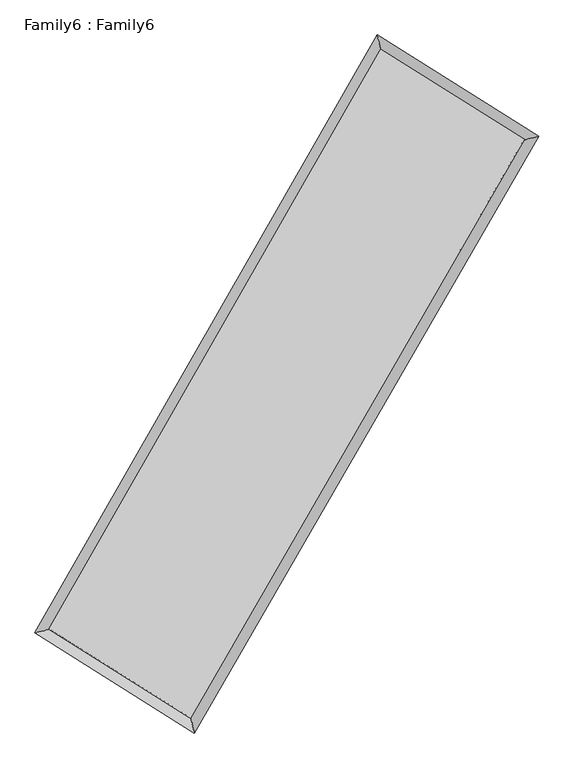
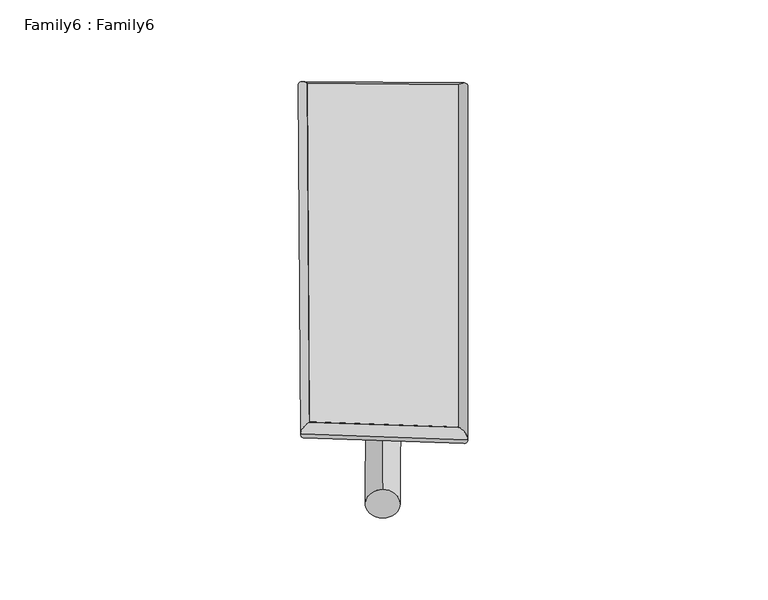
"""IFC4 building model written with IfcOpenShell, lengths in millimetres: plate geometry, Family6 : Family6."""

import ifcopenshell
import ifcopenshell.guid

model = None  # the IFC model being written
_history = None  # IfcOwnerHistory: only IFC2X3 demands one
_inside = {}  # id of a spatial element -> (the spatial element, [elements in it])
_under = {}  # id of a project, library or spatial element -> (it, [spatial elements below it])
_declared = {}  # id of a project -> (the project, [libraries it declares])
_typed = {}  # id of a type object -> (the type object, [elements of that type])
_made_of = {}  # id of a material, layer set ... -> (it, [elements and type objects made of it])


def new_model(schema):
    """Start an empty IFC model of exactly this schema.

    Asked for "IFC4X3", IfcOpenShell would pick the latest addendum, in which some entities
    have other attributes; the version numbers below select the first issue.
    IFC2X3 requires an IfcOwnerHistory on every rooted entity: one is made here for all.
    """
    global model, _history
    if schema == "IFC4X3":
        model = ifcopenshell.file(schema_version=(4, 3, 0, 0))
    else:
        model = ifcopenshell.file(schema=schema)
    _inside.clear()
    _under.clear()
    _declared.clear()
    _typed.clear()
    _made_of.clear()
    _history = None
    if model.schema == "IFC2X3":
        org = make("IfcOrganization", Name="unknown")
        user = make(
            "IfcPersonAndOrganization",
            ThePerson=make("IfcPerson", FamilyName="unknown"),
            TheOrganization=org,
        )
        app = make(
            "IfcApplication",
            ApplicationDeveloper=org,
            Version="unknown",
            ApplicationFullName="unknown",
            ApplicationIdentifier="unknown",
        )
        _history = make(
            "IfcOwnerHistory",
            OwningUser=user,
            OwningApplication=app,
            ChangeAction="ADDED",
            CreationDate=0,
        )
    return model


def make(cls, **values):
    """One entity of the class cls with the attributes given. An attribute that is None is left unset."""
    return model.create_entity(
        cls, **{name: value for name, value in values.items() if value is not None}
    )


def rooted(cls, **values):
    """An entity with a GlobalId (a new one), such as an element, a storey or a relation."""
    return make(cls, GlobalId=ifcopenshell.guid.new(), OwnerHistory=_history, **values)


def si_unit(unit_type, name, prefix=None):
    """IfcSIUnit, for example si_unit("LENGTHUNIT", "METRE", prefix="MILLI")."""
    return make("IfcSIUnit", UnitType=unit_type, Prefix=prefix, Name=name)


def assignment(units):
    """IfcUnitAssignment: the units of a project."""
    return None if units is None else make("IfcUnitAssignment", Units=units)


def point(xyz):
    """IfcCartesianPoint."""
    return None if xyz is None else make("IfcCartesianPoint", Coordinates=xyz)


def direction(xyz):
    """IfcDirection."""
    return None if xyz is None else make("IfcDirection", DirectionRatios=xyz)


def frame(location, z_axis=None, x_axis=None):
    """IfcAxis2Placement3D, a coordinate frame: its origin and axes. An axis left out is left unset."""
    return make(
        "IfcAxis2Placement3D",
        Location=point(location),
        Axis=direction(z_axis),
        RefDirection=direction(x_axis),
    )


def frame_2d(location, x_axis=None):
    """IfcAxis2Placement2D, a coordinate frame in the plane: its origin and x axis."""
    return make(
        "IfcAxis2Placement2D", Location=point(location), RefDirection=direction(x_axis)
    )


def origin():
    """The frame at (0, 0, 0) with its axes left unset."""
    return frame((0.0, 0.0, 0.0))


def origin_2d():
    """The frame at (0, 0) in the plane with its x axis left unset."""
    return frame_2d((0.0, 0.0))


def place(relative_to, where):
    """IfcLocalPlacement: puts the frame where relative to a parent placement (None: the world)."""
    return make(
        "IfcLocalPlacement", PlacementRelTo=relative_to, RelativePlacement=where
    )


def context(
    kind, dimensions, precision=None, world=None, true_north=None, identifier=None
):
    """IfcGeometricRepresentationContext, for example the 3D "Model" context."""
    return make(
        "IfcGeometricRepresentationContext",
        ContextIdentifier=identifier,
        ContextType=kind,
        CoordinateSpaceDimension=dimensions,
        Precision=precision,
        WorldCoordinateSystem=world,
        TrueNorth=true_north,
    )


def project(units=None, contexts=None):
    """IfcProject with its units and contexts."""
    return rooted(
        "IfcProject",
        Name="project",
        RepresentationContexts=contexts,
        UnitsInContext=assignment(units),
    )


def spatial(cls, under=None, at=None, **own):
    """A site, building, storey or space (cls), placed at a placement, below another one or the project."""
    s = rooted(cls, ObjectPlacement=at, **own)
    if under is not None:
        _under.setdefault(under.id(), (under, []))[1].append(s)
    return s


def circle_curve(where, radius):
    """IfcCircle in the frame where."""
    return make("IfcCircle", Position=where, Radius=radius)


def ellipse_curve(where, semi_axis1, semi_axis2):
    """IfcEllipse in the frame where."""
    return make(
        "IfcEllipse", Position=where, SemiAxis1=semi_axis1, SemiAxis2=semi_axis2
    )


def trimmed(basis, trim1, trim2, sense, master):
    """IfcTrimmedCurve: the piece of a basis curve between two trims."""
    return make(
        "IfcTrimmedCurve",
        BasisCurve=basis,
        Trim1=trim1,
        Trim2=trim2,
        SenseAgreement=sense,
        MasterRepresentation=master,
    )


def segment(curve, same_sense, transition):
    """IfcCompositeCurveSegment."""
    return make(
        "IfcCompositeCurveSegment",
        Transition=transition,
        SameSense=same_sense,
        ParentCurve=curve,
    )


def composite_curve(segments, self_intersect=None):
    """IfcCompositeCurve: segments joined end to end."""
    return make("IfcCompositeCurve", Segments=segments, SelfIntersect=self_intersect)


def outline(outer, holes=None, kind="AREA"):
    """IfcArbitraryClosedProfileDef: a profile drawn as a closed curve; with holes, ...WithVoids."""
    if holes is None:
        return make("IfcArbitraryClosedProfileDef", ProfileType=kind, OuterCurve=outer)
    return make(
        "IfcArbitraryProfileDefWithVoids",
        ProfileType=kind,
        OuterCurve=outer,
        InnerCurves=holes,
    )


def extrude(swept, where, along, depth):
    """IfcExtrudedAreaSolid: the profile swept, set in the frame where, extruded along a direction by depth."""
    return make(
        "IfcExtrudedAreaSolid",
        SweptArea=swept,
        Position=where,
        ExtrudedDirection=direction(along),
        Depth=depth,
    )


def shape(context_of_items, identifier, shape_type, items):
    """IfcShapeRepresentation: the items that make up one representation, for example the "Body"."""
    return make(
        "IfcShapeRepresentation",
        ContextOfItems=context_of_items,
        RepresentationIdentifier=identifier,
        RepresentationType=shape_type,
        Items=items,
    )


def source(mapping_origin, context_of_items, identifier, shape_type, items):
    """IfcRepresentationMap: a shape defined once, which mapped items show again and again."""
    return make(
        "IfcRepresentationMap",
        MappingOrigin=mapping_origin,
        MappedRepresentation=shape(context_of_items, identifier, shape_type, items),
    )


def transform(
    local_origin,
    x_axis=None,
    y_axis=None,
    z_axis=None,
    scale=None,
    scale2=None,
    scale3=None,
    uniform=True,
):
    """IfcCartesianTransformationOperator3D, or its non-uniform kind. x_axis, y_axis, z_axis: its Axis1, 2, 3."""
    if uniform:
        return make(
            "IfcCartesianTransformationOperator3D",
            Axis1=direction(x_axis),
            Axis2=direction(y_axis),
            LocalOrigin=point(local_origin),
            Scale=scale,
            Axis3=direction(z_axis),
        )
    return make(
        "IfcCartesianTransformationOperator3DnonUniform",
        Axis1=direction(x_axis),
        Axis2=direction(y_axis),
        LocalOrigin=point(local_origin),
        Scale=scale,
        Axis3=direction(z_axis),
        Scale2=scale2,
        Scale3=scale3,
    )


def mapped(mapping_source, mapping_target):
    """IfcMappedItem: shows the shape of a source again, moved by a transform."""
    return make(
        "IfcMappedItem", MappingSource=mapping_source, MappingTarget=mapping_target
    )


def made_of(thing, what):
    """Note that an element or type object is made of a material, layer set ...; save() writes the relation."""
    if what is not None:
        _made_of.setdefault(what.id(), (what, []))[1].append(thing)
    return thing


def element(
    cls,
    number,
    at=None,
    inside=None,
    cuts=None,
    type_object=None,
    material=None,
    context=None,
    identifier="Body",
    shape_type=None,
    held_by="IfcProductDefinitionShape",
    body=None,
    shapes=None,
    **own,
):
    """One element of the class cls, such as IfcWall. Its Tag is "e" and its number.

    at: its placement. inside: the storey or other place that contains it. cuts: it is an
    opening in that element (IfcRelVoidsElement). A single representation is given by context,
    identifier, shape_type and body (its items); several are given by shapes. held_by: the class
    of the entity that holds the representations. save() writes the other relations.
    """
    e = rooted(cls, Tag="e%d" % number, ObjectPlacement=at, **own)
    if body is not None:
        shapes = [shape(context, identifier, shape_type, body)]
    if shapes is not None:
        e.Representation = make(held_by, Representations=shapes)
    if inside is not None:
        _inside.setdefault(inside.id(), (inside, []))[1].append(e)
    if cuts is not None:
        rooted(
            "IfcRelVoidsElement", RelatingBuildingElement=cuts, RelatedOpeningElement=e
        )
    if type_object is not None:
        _typed.setdefault(type_object.id(), (type_object, []))[1].append(e)
    return made_of(e, material)


def aggregate(whole, parts):
    """IfcRelAggregates: a whole, such as a stair, and the parts it consists of."""
    return rooted("IfcRelAggregates", RelatingObject=whole, RelatedObjects=parts)


def save(model, path):
    """Write the relations noted so far, then the file.

    IfcRelAggregates (storeys below a building ...), IfcRelContainedInSpatialStructure (elements
    in a storey), IfcRelDefinesByType, IfcRelAssociatesMaterial and IfcRelDeclares: one each for
    every whole, place, type object, material and project.
    """
    for whole, parts in _under.values():
        aggregate(whole, parts)
    for where, things in _inside.values():
        rooted(
            "IfcRelContainedInSpatialStructure",
            RelatedElements=things,
            RelatingStructure=where,
        )
    for kind, things in _typed.values():
        rooted("IfcRelDefinesByType", RelatedObjects=things, RelatingType=kind)
    for what, things in _made_of.values():
        rooted("IfcRelAssociatesMaterial", RelatedObjects=things, RelatingMaterial=what)
    for by, libraries in _declared.values():
        rooted("IfcRelDeclares", RelatingContext=by, RelatedDefinitions=libraries)
    model.write(path)


def plane_surface(at):
    """IfcPlane: the flat surface through the origin of the frame at, square to its z axis."""
    return make("IfcPlane", Position=at)


def cylinder_surface(at, radius):
    """IfcCylindricalSurface: all points at the distance radius from the z axis of the frame at."""
    return make("IfcCylindricalSurface", Position=at, Radius=radius)


def spline_surface(u_degree, v_degree, points, u_multiplicities, v_multiplicities, u_knots, v_knots, weights=None):
    """IfcBSplineSurfaceWithKnots; with weights, IfcRationalBSplineSurfaceWithKnots. points: one row for each step in u."""
    own = dict(
        UDegree=u_degree,
        VDegree=v_degree,
        ControlPointsList=[[point(p) for p in row] for row in points],
        SurfaceForm="UNSPECIFIED",
        UClosed=False,
        VClosed=False,
        SelfIntersect=False,
        UMultiplicities=u_multiplicities,
        VMultiplicities=v_multiplicities,
        UKnots=u_knots,
        VKnots=v_knots,
        KnotSpec="UNSPECIFIED",
    )
    if weights is None:
        return make("IfcBSplineSurfaceWithKnots", **own)
    return make("IfcRationalBSplineSurfaceWithKnots", WeightsData=weights, **own)


def advanced_brep(points, edges, surfaces, faces):
    """IfcAdvancedBrep: a solid bounded by faces that lie on surfaces and meet in shared edges.

    An edge is (start, end): straight between two places in points (the first is 0);
    or (start, end, curve); or (start, end, curve, False) where it runs against its curve.
    A face is (place in surfaces, loops), or (place, loops, False) where it looks against
    its surface's normal. A loop lists edges by number (the first is 1), with a minus sign
    where the edge is run from its end to its start. The first loop is the outer one.
    """
    corners = [point(p) for p in points]
    vertices = [make("IfcVertexPoint", VertexGeometry=c) for c in corners]
    made = []
    for start, end, *more in edges:
        made.append(
            make(
                "IfcEdgeCurve",
                EdgeStart=vertices[start],
                EdgeEnd=vertices[end],
                EdgeGeometry=more[0] if more else make("IfcPolyline", Points=[corners[start], corners[end]]),
                SameSense=more[1] if len(more) > 1 else True,
            )
        )
    hull = []
    for where, loops, *sense in faces:
        bounds = []
        for j, loop in enumerate(loops):
            ring = [make("IfcOrientedEdge", EdgeElement=made[abs(k) - 1], Orientation=k > 0) for k in loop]
            bounds.append(
                make(
                    "IfcFaceOuterBound" if j == 0 else "IfcFaceBound",
                    Bound=make("IfcEdgeLoop", EdgeList=ring),
                    Orientation=True,
                )
            )
        hull.append(make("IfcAdvancedFace", Bounds=bounds, FaceSurface=surfaces[where], SameSense=sense[0] if sense else True))
    return make("IfcAdvancedBrep", Outer=make("IfcClosedShell", CfsFaces=hull))


def family6_family6_cb9b762f(model_context):
    return source(origin(), model_context, "Body", "SolidModel", [
        extrude(outline(composite_curve([segment(trimmed(circle_curve(origin_2d(), 76.2), [point((-75.4341514, -10.7763074))], [point((75.4341514, 10.7763074))], False, "CARTESIAN"), True, "CONTINUOUS"), segment(trimmed(circle_curve(origin_2d(), 76.2), [point((75.4341514, 10.7763074))], [point((-75.4341514, -10.7763074))], False, "CARTESIAN"), True, "CONTINUOUS")], self_intersect=False)), frame((9144.0, 9144.0, 0.0), z_axis=(0.6716616227860731, 0.686422919870419, 0.2787368643594657), x_axis=(-0.6790148492168958, 0.7208489546102279, -0.13898064318565367)), (0.0, 0.0, 1.0), 5536.96768),
        extrude(outline(composite_curve([segment(trimmed(circle_curve(origin_2d(), 76.2), [point((-53.8815367, 53.8815367))], [point((53.8815367, -53.8815367))], False, "CARTESIAN"), True, "CONTINUOUS"), segment(trimmed(circle_curve(origin_2d(), 76.2), [point((53.8815367, -53.8815367))], [point((-53.8815367, 53.8815367))], False, "CARTESIAN"), True, "CONTINUOUS")], self_intersect=False)), frame((9144.0, 9144.0, 0.0), z_axis=(-0.669023417520469, -0.6888616824825267, 0.2790649551924691), x_axis=(0.6463789388249925, -0.35392238355896904, 0.6759683527055201)), (0.0, 0.0, 1.0), 5530.8486264),
        extrude(outline(composite_curve([segment(trimmed(circle_curve(origin_2d(), 76.2), [point((-53.8815367, -53.8815367))], [point((53.8815367, 53.8815367))], False, "CARTESIAN"), True, "CONTINUOUS"), segment(trimmed(circle_curve(origin_2d(), 76.2), [point((53.8815367, 53.8815367))], [point((-53.8815367, -53.8815367))], False, "CARTESIAN"), True, "CONTINUOUS")], self_intersect=False)), frame((9144.0, 9144.0, 0.0), z_axis=(0.26046943781686505, 0.9277571542325058, 0.2672495738701354), x_axis=(-0.8417207776419738, 0.35379701779115147, -0.4078404132597439)), (0.0, 0.0, 1.0), 5619.7751866),
        extrude(outline(composite_curve([segment(trimmed(circle_curve(origin_2d(), 76.2), [point((-75.4341514, 10.7763074))], [point((75.4341514, -10.7763074))], False, "CARTESIAN"), True, "CONTINUOUS"), segment(trimmed(circle_curve(origin_2d(), 76.2), [point((75.4341514, -10.7763074))], [point((-75.4341514, 10.7763074))], False, "CARTESIAN"), True, "CONTINUOUS")], self_intersect=False)), frame((9144.0, 9144.0, 0.0), z_axis=(-0.2637225443338497, -0.9268020916699946, 0.2673729651370976), x_axis=(0.882410269064255, -0.11983878453072448, 0.45496239709688935)), (0.0, 0.0, 1.0), 5615.9664417),
        advanced_brep(
        [(5238.9201814, 5282.8566935, 1540.3494812), (5238.8721734, 5282.7831939, 1547.532871), (5648.545319, 5385.1639258, 1546.582567), (10661.2367748, 14144.4581512, 1506.2178571), (10554.3225922, 14571.1151179, 1497.5471906), (5648.593327, 5385.2374254, 1539.3991772), (12657.4911577, 12893.6196042, 1542.9303556), (13068.4462368, 12995.7834401, 1543.7836628), (7610.079876, 4152.3316855, 1502.3577074), (7715.8062062, 3725.8894247, 1500.7574919)],
        [
            (0, 1, ellipse_curve(frame((5443.7327502, 5334.0103097, 1543.4660241), z_axis=(-0.24242542260852987, 0.9701344868658608, 0.008306134274639342), x_axis=(-0.9700378250538646, -0.24252484301816085, 0.014433242317111267)), 211.2097721, 152.4)),
            (1, 2, ellipse_curve(frame((5443.7327502, 5334.0103097, 1543.4660241), z_axis=(-0.24242542260852987, 0.9701344868658608, 0.008306134274639342), x_axis=(-0.9700378250538646, -0.24252484301816085, 0.014433242317111267)), 211.2097721, 152.4)),
            (2, 3),
            (3, 4, ellipse_curve(frame((10607.7796835, 14357.7866345, 1501.8825239), z_axis=(-0.9699346917544832, -0.2432217490333834, -0.008359098532584517), x_axis=(0.24309773416368144, -0.969906770848276, 0.01357746320761232)), 219.9715184, 152.4)),
            (4, 0),
            (2, 5, ellipse_curve(frame((5443.7327502, 5334.0103097, 1543.4660241), z_axis=(-0.24242542260852987, 0.9701344868658608, 0.008306134274639342), x_axis=(-0.9700378250538646, -0.24252484301816085, 0.014433242317111267)), 211.2097721, 152.4)),
            (5, 0, ellipse_curve(frame((5443.7327502, 5334.0103097, 1543.4660241), z_axis=(-0.24242542260852987, 0.9701344868658608, 0.008306134274639342), x_axis=(-0.9700378250538646, -0.24252484301816085, 0.014433242317111267)), 211.2097721, 152.4)),
            (4, 3, ellipse_curve(frame((10607.7796835, 14357.7866345, 1501.8825239), z_axis=(-0.9699346917544832, -0.2432217490333834, -0.008359098532584517), x_axis=(0.24309773416368144, -0.969906770848276, 0.01357746320761232)), 219.9715184, 152.4)),
            (3, 6),
            (6, 7, ellipse_curve(frame((12862.9686973, 12944.7015222, 1543.3570092), z_axis=(-0.24123409353743094, 0.9704337111700433, -0.00803270439582855), x_axis=(-0.9703409500484305, -0.24132788767968535, -0.014117056604360589)), 211.7467201, 152.4)),
            (7, 4),
            (7, 6, ellipse_curve(frame((12862.9686973, 12944.7015222, 1543.3570092), z_axis=(-0.24123409353743094, 0.9704337111700433, -0.00803270439582855), x_axis=(-0.9703409500484305, -0.24132788767968535, -0.014117056604360589)), 211.7467201, 152.4)),
            (6, 8),
            (8, 9, ellipse_curve(frame((7662.9430411, 3939.1105551, 1501.5575996), z_axis=(0.9705705346749873, 0.2406625058505479, -0.008625282513866678), x_axis=(-0.24053197593485523, 0.9705418567350687, 0.01388786801923224)), 219.6903883, 152.4)),
            (9, 7),
            (9, 8, ellipse_curve(frame((7662.9430411, 3939.1105551, 1501.5575996), z_axis=(0.9705705346749873, 0.2406625058505479, -0.008625282513866678), x_axis=(-0.24053197593485523, 0.9705418567350687, 0.01388786801923224)), 219.6903883, 152.4)),
            (8, 5),
            (1, 9),
        ],
        [
            cylinder_surface(frame((5443.7327502, 5334.0103097, 1543.4660241), z_axis=(-0.4966861571628145, -0.8679210014459405, 0.003999566465504995), x_axis=(-0.867720223196592, 0.49645935023249177, -0.024284312269215694)), 152.4),
            cylinder_surface(frame((10607.7796835, 14357.7866345, 1501.8825239), z_axis=(-0.8472882634994129, 0.5309046929991256, -0.015582217032696466), x_axis=(0.5310909387133255, 0.847226572252084, -0.01222906728181008)), 152.4),
            cylinder_surface(frame((12862.9686973, 12944.7015222, 1543.3570092), z_axis=(0.5000424990303078, 0.865991537381947, 0.004019495786368896), x_axis=(0.8660001956990149, -0.5000424990303078, -0.0010771317434149048)), 152.4),
            cylinder_surface(frame((7662.9430411, 3939.1105551, 1501.5575996), z_axis=(0.8465339320076712, -0.532094672975891, -0.015986273809468713), x_axis=(-0.5319748224116614, -0.8466841484057892, 0.011346416105758459)), 152.4),
        ],
        [
            (0, [[1, 2, 3, 4, 5]]),
            (0, [[6, 7, -5, 8, -3]]),
            (1, [[-4, 9, 10, 11]]),
            (1, [[-8, -11, 12, -9]]),
            (2, [[-10, 13, 14, 15]]),
            (2, [[-12, -15, 16, -13]]),
            (3, [[-14, 17, -6, -2, 18]]),
            (3, [[-16, -18, -1, -7, -17]]),
        ],
    ),
        extrude(outline(composite_curve([segment(trimmed(circle_curve(origin_2d(), 304.8), [point((-1e-07, 304.8))], [point((0.0, -304.8))], False, "CARTESIAN"), True, "CONTINUOUS"), segment(trimmed(circle_curve(origin_2d(), 304.8), [point((0.0, -304.8))], [point((-1e-07, 304.8))], False, "CARTESIAN"), True, "CONTINUOUS")], self_intersect=False)), frame((11763.9361699, 13652.2353943, -0.0102374), z_axis=(-0.5024583502715608, -0.8646014146637323, 1.963351539373259e-06), x_axis=(-0.8646014146657994, 0.5024583502715607, -5.290687691849281e-07)), (0.0, 0.0, 1.0), 10428.4710106),
        advanced_brep(
        [(5443.7327502, 5334.0103097, 1543.4660241), (7662.9430411, 3939.1105551, 1501.5575996), (7662.9370851, 3939.1120275, 1653.9575995), (5443.7267942, 5334.0117821, 1695.866024), (12862.9686973, 12944.7015222, 1543.3570092), (12862.9627413, 12944.7029946, 1695.7570091), (10607.7796835, 14357.7866345, 1501.8825239), (10607.7737275, 14357.7881069, 1654.2825237)],
        [
            (0, 1),
            (1, 2),
            (2, 3),
            (3, 0),
            (1, 4),
            (4, 5),
            (5, 2),
            (4, 6),
            (6, 7),
            (7, 5),
            (6, 0),
            (3, 7),
        ],
        [
            plane_surface(frame((6553.3378956, 4636.5604324, 1522.5118119), z_axis=(-0.5321628480745442, -0.8466420158307684, -1.2617563414710209e-05), x_axis=(0.8465339320076715, -0.5320946729758905, -0.015986273809468723))),
            plane_surface(frame((10262.9558692, 8441.9060386, 1522.4573044), z_axis=(0.8659984547130432, -0.5000466727604908, 3.8675370741463305e-05), x_axis=(0.5000424990303078, 0.865991537381947, 0.004019495786368889))),
            plane_surface(frame((11735.3741904, 13651.2440783, 1522.6197665), z_axis=(0.5309689920695012, 0.8473912492484523, 1.2563667485336258e-05), x_axis=(-0.847288263499413, 0.5309046929991252, -0.015582217032696471))),
            plane_surface(frame((8025.7562168, 9845.8984721, 1522.674274), z_axis=(-0.8679280196580195, 0.49668999506070016, -3.8718349272980415e-05), x_axis=(-0.4966861571628145, -0.8679210014459404, 0.003999566465504998))),
            spline_surface(1, 1, [[(7662.9370851, 3939.1120275, 1653.9575995), (5443.7267942, 5334.0117821, 1695.866024)], [(12862.9627413, 12944.7029946, 1695.7570091), (10607.7737275, 14357.7881069, 1654.2825237)]], [2, 2], [2, 2], [0.0, 1.0], [0.0, 1.0]),
            spline_surface(1, 1, [[(10607.7796835, 14357.7866345, 1501.8825239), (5443.7327502, 5334.0103097, 1543.4660241)], [(12862.9686973, 12944.7015222, 1543.3570092), (7662.9430411, 3939.1105551, 1501.5575996)]], [2, 2], [2, 2], [0.0, 1.0], [0.0, 1.0]),
        ],
        [
            (0, [[1, 2, 3, 4]]),
            (1, [[5, 6, 7, -2]]),
            (2, [[8, 9, 10, -6]]),
            (3, [[11, -4, 12, -9]]),
            (4, [[-3, -7, -10, -12]]),
            (5, [[-11, -8, -5, -1]]),
        ],
    ),
    ])


if __name__ == "__main__":
    model = new_model("IFC4")
    model_context = context("Model", 3, world=origin())
    ifc_project = project(units=[si_unit("LENGTHUNIT", "METRE", prefix="MILLI")], contexts=[model_context])
    site = spatial("IfcSite", under=ifc_project)
    building = spatial("IfcBuilding", under=site)
    placement = place(None, origin())
    family6_family6_shape = family6_family6_cb9b762f(model_context)
    element("IfcPlate", 1, ObjectType="Family6 : Family6", at=placement, inside=building, context=model_context, shape_type="MappedRepresentation", body=[
        mapped(family6_family6_shape, transform((0.0, 0.0, 0.0), x_axis=(1.0, 0.0, 0.0), y_axis=(0.0, 1.0, 0.0), z_axis=(0.0, 0.0, 1.0))),
    ])
    save(model, "model.ifc")
